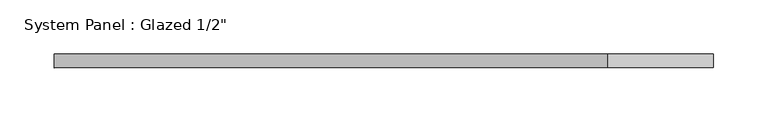
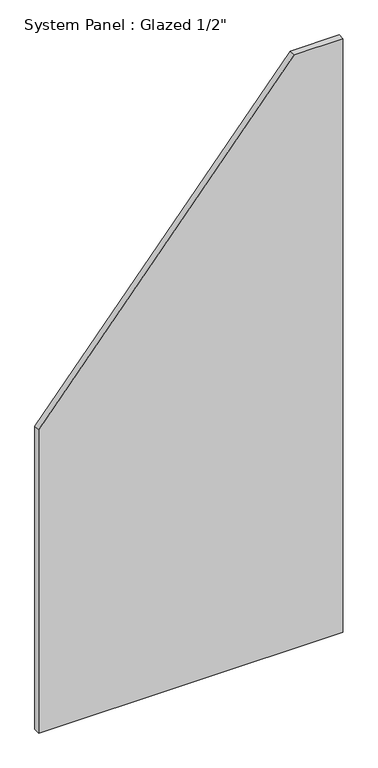
"""IFC4 building model written with IfcOpenShell, lengths in millimetres: plate geometry."""

from ifc_helpers import new_model, si_unit, frame, origin, place, context, project, spatial, polyline, outline, extrude, source, transform, mapped, element, save


def plate_f83ebf25(model_context):
    return source(origin(), model_context, "Body", "SweptSolid", [
        extrude(outline(polyline([(0.0, -304.4247799), (0.0, 304.4247799), (1256.8515356, 304.4247799), (1256.8515356, 207.0496018), (642.1358324, -304.4247799), (0.0, -304.4247799)])), frame((0.0, -6.35, 0.0), z_axis=(0.0, 1.0, 0.0), x_axis=(0.0, 0.0, 1.0)), (0.0, 0.0, 1.0), 12.7),
    ])


if __name__ == "__main__":
    model = new_model("IFC4")
    model_context = context("Model", 3, world=origin())
    ifc_project = project(units=[si_unit("LENGTHUNIT", "METRE", prefix="MILLI")], contexts=[model_context])
    site = spatial("IfcSite", under=ifc_project)
    building = spatial("IfcBuilding", under=site)
    placement = place(None, origin())
    plate_shape = plate_f83ebf25(model_context)
    element("IfcPlate", 1, ObjectType="System Panel : Glazed 1/2\"", at=placement, inside=building, context=model_context, shape_type="MappedRepresentation", body=[
        mapped(plate_shape, transform((0.0, 0.0, 0.0), x_axis=(1.0, 0.0, 0.0), y_axis=(0.0, 1.0, 0.0), z_axis=(0.0, 0.0, 1.0))),
    ])
    save(model, "model.ifc")
